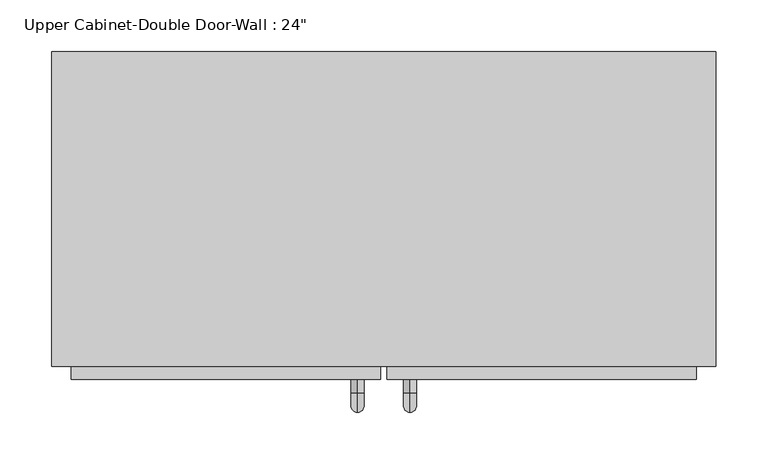
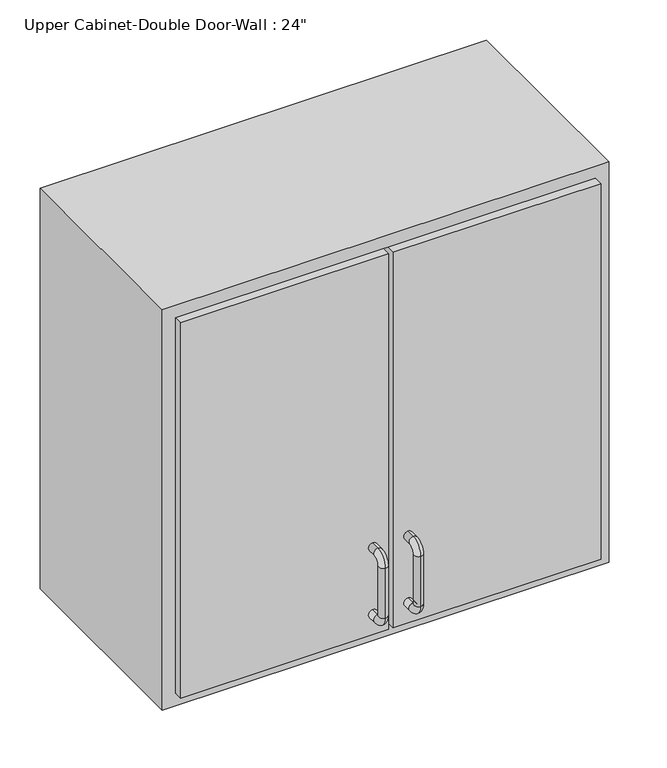
"""IFC4 building model written with IfcOpenShell, lengths in millimetres: furniture geometry."""

from ifc_helpers import new_model, si_unit, point, frame, origin, place, context, project, spatial, polyline, circle_curve, ellipse_curve, trimmed, outline, extrude, faceted_brep, source, transform, mapped, element, save
from ifc_brep_helpers import plane_surface, cylinder_surface, revolved_surface, advanced_brep


def furniture_1b068ac2(model_context):
    return source(origin(), model_context, "Body", "SolidModel", [
        faceted_brep([(-291.7857108, -50.8, 2133.6), (351.3280364, -50.8, 2133.6), (351.3280364, -50.8, 1524.0), (-291.7857108, -50.8, 1524.0), (-291.7857108, -355.6, 2133.6), (-291.7857108, -355.6, 1524.0), (351.3280364, -355.6, 1524.0), (351.3280364, -355.6, 2133.6), (-272.7357108, -355.6, 2114.55), (332.2780364, -355.6, 2114.55), (332.2780364, -355.6, 1543.05), (-272.7357108, -355.6, 1543.05), (-272.7357108, -69.85, 2114.55), (332.2780364, -69.85, 2114.55), (332.2780364, -69.85, 1543.05), (-272.7357108, -69.85, 1543.05)], [[[0, 1, 2, 3]], [[4, 5, 6, 7], [8, 9, 10, 11]], [[3, 5, 4, 0]], [[2, 6, 5, 3]], [[1, 7, 6, 2]], [[0, 4, 7, 1]], [[8, 12, 13, 9]], [[9, 13, 14, 10]], [[10, 14, 15, 11]], [[11, 15, 12, 8]], [[12, 15, 14, 13]]]),
        advanced_brep(
        [(55.1711628, -368.3, 1670.05), (55.1711628, -368.3, 1682.75), (55.1711628, -381.0, 1682.75), (55.1711628, -381.0, 1670.05), (55.1711628, -400.05, 1663.7), (55.1711628, -387.35, 1663.7), (55.1711628, -400.05, 1587.5), (55.1711628, -387.35, 1587.5), (55.1711628, -381.0, 1568.45), (55.1711628, -381.0, 1581.15), (55.1711628, -368.3, 1581.15), (55.1711628, -368.3, 1568.45)],
        [
            (0, 1, circle_curve(frame((55.1711628, -368.3, 1676.4), z_axis=(0.0, 1.0, 0.0), x_axis=(0.0, 0.0, -1.0)), 6.35)),
            (1, 0, circle_curve(frame((55.1711628, -368.3, 1676.4), z_axis=(0.0, 1.0, 0.0), x_axis=(0.0, 0.0, -1.0)), 6.35)),
            (1, 2),
            (2, 3, circle_curve(frame((55.1711628, -381.0, 1676.4), z_axis=(0.0, 1.0, 0.0), x_axis=(0.0, 0.0, -1.0)), 6.35)),
            (3, 0),
            (3, 2, circle_curve(frame((55.1711628, -381.0, 1676.4), z_axis=(0.0, 1.0, 0.0), x_axis=(0.0, 0.0, -1.0)), 6.35)),
            (4, 5, circle_curve(frame((55.1711628, -393.7, 1663.7), z_axis=(0.0, 0.0, 1.0), x_axis=(0.0, 1.0, 0.0)), 6.35)),
            (5, 3, circle_curve(frame((55.1711628, -381.0, 1663.7), z_axis=(-1.0, 0.0, 0.0), x_axis=(0.0, 0.0, 1.0)), 6.35)),
            (2, 4, circle_curve(frame((55.1711628, -381.0, 1663.7), z_axis=(1.0, 0.0, 0.0), x_axis=(0.0, 0.0, 1.0)), 19.05)),
            (5, 4, circle_curve(frame((55.1711628, -393.7, 1663.7), z_axis=(0.0, 0.0, 1.0), x_axis=(0.0, 1.0, 0.0)), 6.35)),
            (4, 6),
            (6, 7, circle_curve(frame((55.1711628, -393.7, 1587.5), z_axis=(0.0, 0.0, 1.0), x_axis=(0.0, 1.0, 0.0)), 6.35)),
            (7, 5),
            (7, 6, circle_curve(frame((55.1711628, -393.7, 1587.5), z_axis=(0.0, 0.0, 1.0), x_axis=(0.0, 1.0, 0.0)), 6.35)),
            (8, 9, circle_curve(frame((55.1711628, -381.0, 1574.8), z_axis=(0.0, -1.0, 0.0), x_axis=(0.0, 0.0, 1.0)), 6.35)),
            (9, 7, circle_curve(frame((55.1711628, -381.0, 1587.5), z_axis=(-1.0, 0.0, 0.0), x_axis=(0.0, -1.0, 0.0)), 6.35)),
            (6, 8, circle_curve(frame((55.1711628, -381.0, 1587.5), z_axis=(1.0, 0.0, 0.0), x_axis=(0.0, -1.0, 0.0)), 19.05)),
            (9, 8, circle_curve(frame((55.1711628, -381.0, 1574.8), z_axis=(0.0, -1.0, 0.0), x_axis=(0.0, 0.0, 1.0)), 6.35)),
            (10, 11, circle_curve(frame((55.1711628, -368.3, 1574.8), z_axis=(0.0, 1.0, 0.0), x_axis=(0.0, 0.0, 1.0)), 6.35)),
            (11, 10, circle_curve(frame((55.1711628, -368.3, 1574.8), z_axis=(0.0, 1.0, 0.0), x_axis=(0.0, 0.0, 1.0)), 6.35)),
            (8, 11),
            (10, 9),
        ],
        [
            plane_surface(frame((48.8211628, -368.3, 1676.4), z_axis=(0.0, 1.0, 0.0), x_axis=(0.0, 0.0, 1.0))),
            cylinder_surface(frame((55.1711628, -368.3, 1676.4), z_axis=(0.0, 1.0, 0.0), x_axis=(0.0, 0.0, -1.0)), 6.35),
            revolved_surface(trimmed(ellipse_curve(frame((55.1711628, -381.0, 1676.4), z_axis=(0.0, -1.0, 0.0), x_axis=(0.0, 0.0, -1.0)), 6.35, 6.35), [point((55.1711628, -381.0, 1670.05))], [point((55.1711628, -381.0, 1682.75))], True, "CARTESIAN"), (55.1711628, -381.0, 1663.7), (-1.0, 0.0, 0.0)),
            revolved_surface(trimmed(ellipse_curve(frame((55.1711628, -381.0, 1676.4), z_axis=(0.0, -1.0, 0.0), x_axis=(0.0, 0.0, -1.0)), 6.35, 6.35), [point((55.1711628, -381.0, 1682.75))], [point((55.1711628, -381.0, 1670.05))], True, "CARTESIAN"), (55.1711628, -381.0, 1663.7), (-1.0, 0.0, 0.0)),
            cylinder_surface(frame((55.1711628, -393.7, 1663.7), z_axis=(0.0, 0.0, 1.0), x_axis=(0.0, 1.0, 0.0)), 6.35),
            revolved_surface(trimmed(ellipse_curve(frame((55.1711628, -393.7, 1587.5), z_axis=(0.0, 0.0, -1.0), x_axis=(0.0, 1.0, 0.0)), 6.35, 6.35), [point((55.1711628, -387.35, 1587.5))], [point((55.1711628, -400.05, 1587.5))], True, "CARTESIAN"), (55.1711628, -381.0, 1587.5), (-1.0, 0.0, 0.0)),
            revolved_surface(trimmed(ellipse_curve(frame((55.1711628, -393.7, 1587.5), z_axis=(0.0, 0.0, -1.0), x_axis=(0.0, 1.0, 0.0)), 6.35, 6.35), [point((55.1711628, -400.05, 1587.5))], [point((55.1711628, -387.35, 1587.5))], True, "CARTESIAN"), (55.1711628, -381.0, 1587.5), (-1.0, 0.0, 0.0)),
            plane_surface(frame((48.8211628, -368.3, 1574.8), z_axis=(0.0, 1.0, 0.0), x_axis=(0.0, 0.0, -1.0))),
            cylinder_surface(frame((55.1711628, -381.0, 1574.8), z_axis=(0.0, -1.0, 0.0), x_axis=(0.0, 0.0, 1.0)), 6.35),
        ],
        [
            (0, [[1, 2]]),
            (1, [[3, 4, 5, -2]]),
            (1, [[-5, 6, -3, -1]]),
            (2, [[7, 8, -4, 9]]),
            (3, [[10, -9, -6, -8]]),
            (4, [[11, 12, 13, -7]]),
            (4, [[-13, 14, -11, -10]]),
            (5, [[15, 16, -12, 17]]),
            (6, [[18, -17, -14, -16]]),
            (7, [[19, 20]]),
            (8, [[21, -19, 22, -15]]),
            (8, [[-22, -20, -21, -18]]),
        ],
    ),
        advanced_brep(
        [(4.3711628, -368.3, 1670.05), (4.3711628, -368.3, 1682.75), (4.3711628, -381.0, 1682.75), (4.3711628, -381.0, 1670.05), (4.3711628, -400.05, 1663.7), (4.3711628, -387.35, 1663.7), (4.3711628, -400.05, 1587.5), (4.3711628, -387.35, 1587.5), (4.3711628, -381.0, 1568.45), (4.3711628, -381.0, 1581.15), (4.3711628, -368.3, 1581.15), (4.3711628, -368.3, 1568.45)],
        [
            (0, 1, circle_curve(frame((4.3711628, -368.3, 1676.4), z_axis=(0.0, 1.0, 0.0), x_axis=(0.0, 0.0, 1.0)), 6.35)),
            (1, 0, circle_curve(frame((4.3711628, -368.3, 1676.4), z_axis=(0.0, 1.0, 0.0), x_axis=(0.0, 0.0, 1.0)), 6.35)),
            (1, 2),
            (2, 3, circle_curve(frame((4.3711628, -381.0, 1676.4), z_axis=(0.0, 1.0, 0.0), x_axis=(0.0, 0.0, 1.0)), 6.35)),
            (3, 0),
            (3, 2, circle_curve(frame((4.3711628, -381.0, 1676.4), z_axis=(0.0, 1.0, 0.0), x_axis=(0.0, 0.0, 1.0)), 6.35)),
            (4, 5, circle_curve(frame((4.3711628, -393.7, 1663.7), z_axis=(0.0, 0.0, 1.0), x_axis=(0.0, -1.0, 0.0)), 6.35)),
            (5, 3, circle_curve(frame((4.3711628, -381.0, 1663.7), z_axis=(-1.0, 0.0, 0.0), x_axis=(0.0, 0.0, 1.0)), 6.35)),
            (2, 4, circle_curve(frame((4.3711628, -381.0, 1663.7), z_axis=(1.0, 0.0, 0.0), x_axis=(0.0, 0.0, 1.0)), 19.05)),
            (5, 4, circle_curve(frame((4.3711628, -393.7, 1663.7), z_axis=(0.0, 0.0, 1.0), x_axis=(0.0, -1.0, 0.0)), 6.35)),
            (4, 6),
            (6, 7, circle_curve(frame((4.3711628, -393.7, 1587.5), z_axis=(0.0, 0.0, 1.0), x_axis=(0.0, -1.0, 0.0)), 6.35)),
            (7, 5),
            (7, 6, circle_curve(frame((4.3711628, -393.7, 1587.5), z_axis=(0.0, 0.0, 1.0), x_axis=(0.0, -1.0, 0.0)), 6.35)),
            (8, 9, circle_curve(frame((4.3711628, -381.0, 1574.8), z_axis=(0.0, -1.0, 0.0), x_axis=(0.0, 0.0, -1.0)), 6.35)),
            (9, 7, circle_curve(frame((4.3711628, -381.0, 1587.5), z_axis=(-1.0, 0.0, 0.0), x_axis=(0.0, -1.0, 0.0)), 6.35)),
            (6, 8, circle_curve(frame((4.3711628, -381.0, 1587.5), z_axis=(1.0, 0.0, 0.0), x_axis=(0.0, -1.0, 0.0)), 19.05)),
            (9, 8, circle_curve(frame((4.3711628, -381.0, 1574.8), z_axis=(0.0, -1.0, 0.0), x_axis=(0.0, 0.0, -1.0)), 6.35)),
            (10, 11, circle_curve(frame((4.3711628, -368.3, 1574.8), z_axis=(0.0, 1.0, 0.0), x_axis=(0.0, 0.0, -1.0)), 6.35)),
            (11, 10, circle_curve(frame((4.3711628, -368.3, 1574.8), z_axis=(0.0, 1.0, 0.0), x_axis=(0.0, 0.0, -1.0)), 6.35)),
            (8, 11),
            (10, 9),
        ],
        [
            plane_surface(frame((-1.9788372, -368.3, 1676.4), z_axis=(0.0, 1.0, 0.0), x_axis=(0.0, 0.0, 1.0))),
            cylinder_surface(frame((4.3711628, -368.3, 1676.4), z_axis=(0.0, 1.0, 0.0), x_axis=(0.0, 0.0, 1.0)), 6.35),
            revolved_surface(trimmed(ellipse_curve(frame((4.3711628, -381.0, 1676.4), z_axis=(0.0, -1.0, 0.0), x_axis=(0.0, 0.0, 1.0)), 6.35, 6.35), [point((4.3711628, -381.0, 1670.05))], [point((4.3711628, -381.0, 1682.75))], True, "CARTESIAN"), (4.3711628, -381.0, 1663.7), (-1.0, 0.0, 0.0)),
            revolved_surface(trimmed(ellipse_curve(frame((4.3711628, -381.0, 1676.4), z_axis=(0.0, -1.0, 0.0), x_axis=(0.0, 0.0, 1.0)), 6.35, 6.35), [point((4.3711628, -381.0, 1682.75))], [point((4.3711628, -381.0, 1670.05))], True, "CARTESIAN"), (4.3711628, -381.0, 1663.7), (-1.0, 0.0, 0.0)),
            cylinder_surface(frame((4.3711628, -393.7, 1663.7), z_axis=(0.0, 0.0, 1.0), x_axis=(0.0, -1.0, 0.0)), 6.35),
            revolved_surface(trimmed(ellipse_curve(frame((4.3711628, -393.7, 1587.5), z_axis=(0.0, 0.0, -1.0), x_axis=(0.0, -1.0, 0.0)), 6.35, 6.35), [point((4.3711628, -387.35, 1587.5))], [point((4.3711628, -400.05, 1587.5))], True, "CARTESIAN"), (4.3711628, -381.0, 1587.5), (-1.0, 0.0, 0.0)),
            revolved_surface(trimmed(ellipse_curve(frame((4.3711628, -393.7, 1587.5), z_axis=(0.0, 0.0, -1.0), x_axis=(0.0, -1.0, 0.0)), 6.35, 6.35), [point((4.3711628, -400.05, 1587.5))], [point((4.3711628, -387.35, 1587.5))], True, "CARTESIAN"), (4.3711628, -381.0, 1587.5), (-1.0, 0.0, 0.0)),
            plane_surface(frame((-1.9788372, -368.3, 1574.8), z_axis=(0.0, 1.0, 0.0), x_axis=(0.0, 0.0, -1.0))),
            cylinder_surface(frame((4.3711628, -381.0, 1574.8), z_axis=(0.0, -1.0, 0.0), x_axis=(0.0, 0.0, -1.0)), 6.35),
        ],
        [
            (0, [[1, 2]]),
            (1, [[3, 4, 5, -2]]),
            (1, [[-5, 6, -3, -1]]),
            (2, [[7, 8, -4, 9]]),
            (3, [[10, -9, -6, -8]]),
            (4, [[11, 12, 13, -7]]),
            (4, [[-13, 14, -11, -10]]),
            (5, [[15, 16, -12, 17]]),
            (6, [[18, -17, -14, -16]]),
            (7, [[19, 20]]),
            (8, [[21, -19, 22, -15]]),
            (8, [[-22, -20, -21, -18]]),
        ],
    ),
        extrude(outline(polyline([(32.9461628, -368.3), (32.9461628, -336.55), (332.2780364, -336.55), (332.2780364, -368.3), (32.9461628, -368.3)])), frame((0.0, 0.0, 1543.05), z_axis=(0.0, 0.0, 1.0), x_axis=(1.0, 0.0, 0.0)), (0.0, 0.0, 1.0), 571.5),
        extrude(outline(polyline([(-272.7357108, -368.3), (-272.7357108, -336.55), (26.5961628, -336.55), (26.5961628, -368.3), (-272.7357108, -368.3)])), frame((0.0, 0.0, 1543.05), z_axis=(0.0, 0.0, 1.0), x_axis=(1.0, 0.0, 0.0)), (0.0, 0.0, 1.0), 571.5),
    ])


if __name__ == "__main__":
    model = new_model("IFC4")
    model_context = context("Model", 3, world=origin())
    ifc_project = project(units=[si_unit("LENGTHUNIT", "METRE", prefix="MILLI")], contexts=[model_context])
    site = spatial("IfcSite", under=ifc_project)
    building = spatial("IfcBuilding", under=site)
    placement = place(None, origin())
    furniture_shape = furniture_1b068ac2(model_context)
    element("IfcFurniture", 1, ObjectType="Upper Cabinet-Double Door-Wall : 24\"", at=placement, inside=building, context=model_context, shape_type="MappedRepresentation", body=[
        mapped(furniture_shape, transform((0.0, 0.0, 0.0), x_axis=(1.0, 0.0, 0.0), y_axis=(0.0, 1.0, 0.0), z_axis=(0.0, 0.0, 1.0))),
    ])
    save(model, "model.ifc")
